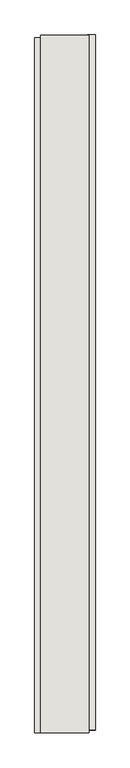
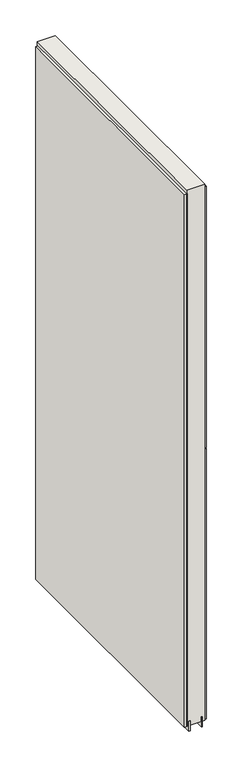
"""IFC4 building model written with IfcOpenShell, lengths in millimetres: wall geometry."""

from ifc_helpers import new_model, si_unit, frame, origin, place, context, project, spatial, polyline, outline, extrude, source, transform, mapped, element, save


def wall_49f2ac59(model_context):
    return source(origin(), model_context, "Body", "SweptSolid", [
        extrude(outline(polyline([(45874.342211, -41852.2906666), (45874.342211, -41849.7506666), (45876.882211, -41849.7506666), (45876.882211, -41852.2906666), (45874.342211, -41852.2906666)])), frame((0.0, 0.0, 4419.6), z_axis=(0.0, 0.0, 1.0), x_axis=(1.0, 0.0, 0.0)), (0.0, 0.0, 1.0), 2.54),
        extrude(outline(polyline([(45926.412211, -41849.2875484), (45926.412211, -43013.6875564), (45913.712211, -43013.6875564), (45913.712211, -41849.2875484), (45926.412211, -41849.2875484)])), frame((0.0, 0.0, 5742.4000722), z_axis=(0.0, 0.0, 1.0), x_axis=(1.0, 0.0, 0.0)), (0.0, 0.0, 1.0), 1247.649905),
        extrude(outline(polyline([(45926.412211, -41849.2875484), (45926.412211, -43013.6875564), (45913.712211, -43013.6875564), (45913.712211, -41849.2875484), (45926.412211, -41849.2875484)])), frame((0.0, 0.0, 4445.0), z_axis=(0.0, 0.0, 1.0), x_axis=(1.0, 0.0, 0.0)), (0.0, 0.0, 1.0), 1293.400004),
        extrude(outline(polyline([(45824.812211, -43018.6174932), (45824.812211, -41854.2174852), (45837.512211, -41854.2174852), (45837.512211, -43018.6174932), (45824.812211, -43018.6174932)])), frame((0.0, 0.0, 4445.0), z_axis=(0.0, 0.0, 1.0), x_axis=(1.0, 0.0, 0.0)), (0.0, 0.0, 1.0), 2545.0498756),
        extrude(outline(polyline([(45900.6959556, -43018.1525208), (45900.6959556, -41849.7525208), (45905.774711, -41849.7525208), (45905.774711, -43018.1525208), (45900.6959556, -43018.1525208)])), frame((0.0, 0.0, 4418.6602), z_axis=(0.0, 0.0, 1.0), x_axis=(1.0, 0.0, 0.0)), (0.0, 0.0, 1.0), 47.625),
        extrude(outline(polyline([(45900.6959556, -43018.1525208), (45900.6959556, -41849.7525208), (45905.774711, -41849.7525208), (45905.774711, -43018.1525208), (45900.6959556, -43018.1525208)])), frame((0.0, 0.0, 4418.6602), z_axis=(0.0, 0.0, 1.0), x_axis=(1.0, 0.0, 0.0)), (0.0, 0.0, 1.0), 47.625),
        extrude(outline(polyline([(45850.5315652, -41849.7525208), (45850.5315652, -43018.1525208), (45845.449711, -43018.1525208), (45845.449711, -41849.7525208), (45850.5315652, -41849.7525208)])), frame((0.0, 0.0, 4418.6602), z_axis=(0.0, 0.0, 1.0), x_axis=(1.0, 0.0, 0.0)), (0.0, 0.0, 1.0), 47.625),
        extrude(outline(polyline([(45850.5315652, -41849.7525208), (45850.5315652, -43018.1525208), (45845.449711, -43018.1525208), (45845.449711, -41849.7525208), (45850.5315652, -41849.7525208)])), frame((0.0, 0.0, 4418.6602), z_axis=(0.0, 0.0, 1.0), x_axis=(1.0, 0.0, 0.0)), (0.0, 0.0, 1.0), 47.625),
        extrude(outline(polyline([(45916.2391808, -43018.1525208), (45834.9604254, -43018.1525208), (45834.9604254, -41849.7525208), (45916.2391808, -41849.7525208), (45916.2391808, -43018.1525208)])), frame((0.0, 0.0, 4445.0), z_axis=(0.0, 0.0, 1.0), x_axis=(1.0, 0.0, 0.0)), (0.0, 0.0, 1.0), 2562.4536762),
    ])


if __name__ == "__main__":
    model = new_model("IFC4")
    model_context = context("Model", 3, world=origin())
    ifc_project = project(units=[si_unit("LENGTHUNIT", "METRE", prefix="MILLI")], contexts=[model_context])
    site = spatial("IfcSite", under=ifc_project)
    building = spatial("IfcBuilding", under=site)
    placement = place(None, origin())
    wall_shape = wall_49f2ac59(model_context)
    element("IfcWall", 1, at=placement, inside=building, context=model_context, shape_type="MappedRepresentation", body=[
        mapped(wall_shape, transform((0.0, 0.0, 0.0), x_axis=(1.0, 0.0, 0.0), y_axis=(0.0, 1.0, 0.0), z_axis=(0.0, 0.0, 1.0))),
    ])
    save(model, "model.ifc")
